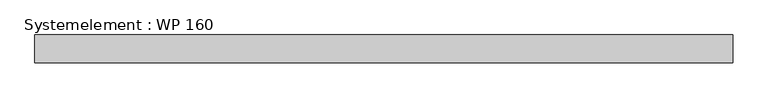
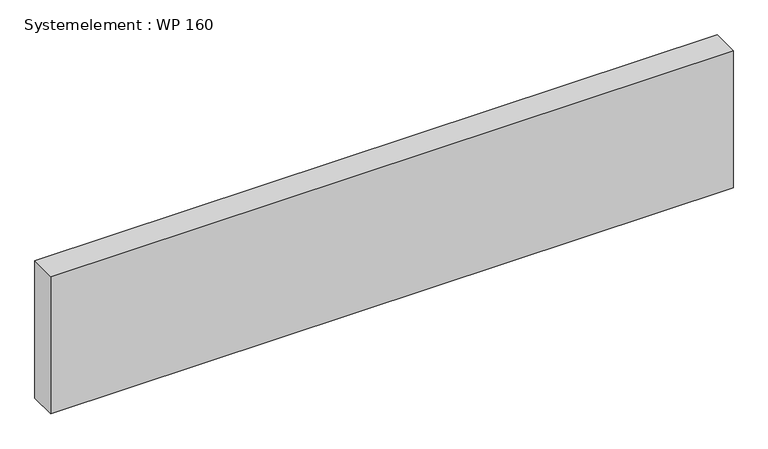
"""IFC4 building model written with IfcOpenShell, lengths in millimetres: plate geometry, Systemelement : WP 160."""

from ifc_helpers import new_model, si_unit, origin, origin_with_axes, place, context, project, spatial, polyline, outline, extrude, source, transform, mapped, element, save


def systemelement_wp_160_04de44d8(model_context):
    return source(origin(), model_context, "Body", "SweptSolid", [
        extrude(outline(polyline([(2000.0, -160.0), (-2000.0, -160.0), (-2000.0, 0.0), (2000.0, 0.0), (2000.0, -160.0)])), origin_with_axes(), (0.0, 0.0, 1.0), 851.6147161),
    ])


if __name__ == "__main__":
    model = new_model("IFC4")
    model_context = context("Model", 3, world=origin())
    ifc_project = project(units=[si_unit("LENGTHUNIT", "METRE", prefix="MILLI")], contexts=[model_context])
    site = spatial("IfcSite", under=ifc_project)
    building = spatial("IfcBuilding", under=site)
    placement = place(None, origin())
    systemelement_wp_160_shape = systemelement_wp_160_04de44d8(model_context)
    element("IfcPlate", 1, ObjectType="Systemelement : WP 160", at=placement, inside=building, context=model_context, shape_type="MappedRepresentation", body=[
        mapped(systemelement_wp_160_shape, transform((0.0, 0.0, 0.0), x_axis=(1.0, 0.0, 0.0), y_axis=(0.0, 1.0, 0.0), z_axis=(0.0, 0.0, 1.0))),
    ])
    save(model, "model.ifc")
